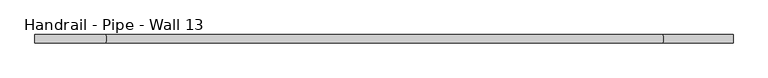
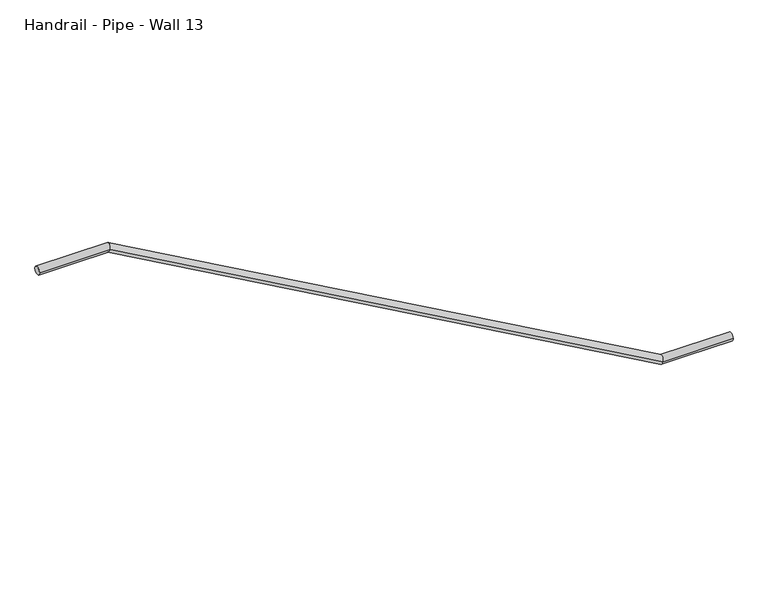
"""IFC4 building model written with IfcOpenShell, lengths in millimetres: railing geometry, Handrail - Pipe - Wall 13."""

import ifcopenshell
import ifcopenshell.guid

model = None  # the IFC model being written
_history = None  # IfcOwnerHistory: only IFC2X3 demands one
_inside = {}  # id of a spatial element -> (the spatial element, [elements in it])
_under = {}  # id of a project, library or spatial element -> (it, [spatial elements below it])
_declared = {}  # id of a project -> (the project, [libraries it declares])
_typed = {}  # id of a type object -> (the type object, [elements of that type])
_made_of = {}  # id of a material, layer set ... -> (it, [elements and type objects made of it])


def new_model(schema):
    """Start an empty IFC model of exactly this schema.

    Asked for "IFC4X3", IfcOpenShell would pick the latest addendum, in which some entities
    have other attributes; the version numbers below select the first issue.
    IFC2X3 requires an IfcOwnerHistory on every rooted entity: one is made here for all.
    """
    global model, _history
    if schema == "IFC4X3":
        model = ifcopenshell.file(schema_version=(4, 3, 0, 0))
    else:
        model = ifcopenshell.file(schema=schema)
    _inside.clear()
    _under.clear()
    _declared.clear()
    _typed.clear()
    _made_of.clear()
    _history = None
    if model.schema == "IFC2X3":
        org = make("IfcOrganization", Name="unknown")
        user = make(
            "IfcPersonAndOrganization",
            ThePerson=make("IfcPerson", FamilyName="unknown"),
            TheOrganization=org,
        )
        app = make(
            "IfcApplication",
            ApplicationDeveloper=org,
            Version="unknown",
            ApplicationFullName="unknown",
            ApplicationIdentifier="unknown",
        )
        _history = make(
            "IfcOwnerHistory",
            OwningUser=user,
            OwningApplication=app,
            ChangeAction="ADDED",
            CreationDate=0,
        )
    return model


def make(cls, **values):
    """One entity of the class cls with the attributes given. An attribute that is None is left unset."""
    return model.create_entity(
        cls, **{name: value for name, value in values.items() if value is not None}
    )


def rooted(cls, **values):
    """An entity with a GlobalId (a new one), such as an element, a storey or a relation."""
    return make(cls, GlobalId=ifcopenshell.guid.new(), OwnerHistory=_history, **values)


def si_unit(unit_type, name, prefix=None):
    """IfcSIUnit, for example si_unit("LENGTHUNIT", "METRE", prefix="MILLI")."""
    return make("IfcSIUnit", UnitType=unit_type, Prefix=prefix, Name=name)


def assignment(units):
    """IfcUnitAssignment: the units of a project."""
    return None if units is None else make("IfcUnitAssignment", Units=units)


def point(xyz):
    """IfcCartesianPoint."""
    return None if xyz is None else make("IfcCartesianPoint", Coordinates=xyz)


def direction(xyz):
    """IfcDirection."""
    return None if xyz is None else make("IfcDirection", DirectionRatios=xyz)


def frame(location, z_axis=None, x_axis=None):
    """IfcAxis2Placement3D, a coordinate frame: its origin and axes. An axis left out is left unset."""
    return make(
        "IfcAxis2Placement3D",
        Location=point(location),
        Axis=direction(z_axis),
        RefDirection=direction(x_axis),
    )


def origin():
    """The frame at (0, 0, 0) with its axes left unset."""
    return frame((0.0, 0.0, 0.0))


def place(relative_to, where):
    """IfcLocalPlacement: puts the frame where relative to a parent placement (None: the world)."""
    return make(
        "IfcLocalPlacement", PlacementRelTo=relative_to, RelativePlacement=where
    )


def context(
    kind, dimensions, precision=None, world=None, true_north=None, identifier=None
):
    """IfcGeometricRepresentationContext, for example the 3D "Model" context."""
    return make(
        "IfcGeometricRepresentationContext",
        ContextIdentifier=identifier,
        ContextType=kind,
        CoordinateSpaceDimension=dimensions,
        Precision=precision,
        WorldCoordinateSystem=world,
        TrueNorth=true_north,
    )


def project(units=None, contexts=None):
    """IfcProject with its units and contexts."""
    return rooted(
        "IfcProject",
        Name="project",
        RepresentationContexts=contexts,
        UnitsInContext=assignment(units),
    )


def spatial(cls, under=None, at=None, **own):
    """A site, building, storey or space (cls), placed at a placement, below another one or the project."""
    s = rooted(cls, ObjectPlacement=at, **own)
    if under is not None:
        _under.setdefault(under.id(), (under, []))[1].append(s)
    return s


def circle_curve(where, radius):
    """IfcCircle in the frame where."""
    return make("IfcCircle", Position=where, Radius=radius)


def ellipse_curve(where, semi_axis1, semi_axis2):
    """IfcEllipse in the frame where."""
    return make(
        "IfcEllipse", Position=where, SemiAxis1=semi_axis1, SemiAxis2=semi_axis2
    )


def shape(context_of_items, identifier, shape_type, items):
    """IfcShapeRepresentation: the items that make up one representation, for example the "Body"."""
    return make(
        "IfcShapeRepresentation",
        ContextOfItems=context_of_items,
        RepresentationIdentifier=identifier,
        RepresentationType=shape_type,
        Items=items,
    )


def source(mapping_origin, context_of_items, identifier, shape_type, items):
    """IfcRepresentationMap: a shape defined once, which mapped items show again and again."""
    return make(
        "IfcRepresentationMap",
        MappingOrigin=mapping_origin,
        MappedRepresentation=shape(context_of_items, identifier, shape_type, items),
    )


def transform(
    local_origin,
    x_axis=None,
    y_axis=None,
    z_axis=None,
    scale=None,
    scale2=None,
    scale3=None,
    uniform=True,
):
    """IfcCartesianTransformationOperator3D, or its non-uniform kind. x_axis, y_axis, z_axis: its Axis1, 2, 3."""
    if uniform:
        return make(
            "IfcCartesianTransformationOperator3D",
            Axis1=direction(x_axis),
            Axis2=direction(y_axis),
            LocalOrigin=point(local_origin),
            Scale=scale,
            Axis3=direction(z_axis),
        )
    return make(
        "IfcCartesianTransformationOperator3DnonUniform",
        Axis1=direction(x_axis),
        Axis2=direction(y_axis),
        LocalOrigin=point(local_origin),
        Scale=scale,
        Axis3=direction(z_axis),
        Scale2=scale2,
        Scale3=scale3,
    )


def mapped(mapping_source, mapping_target):
    """IfcMappedItem: shows the shape of a source again, moved by a transform."""
    return make(
        "IfcMappedItem", MappingSource=mapping_source, MappingTarget=mapping_target
    )


def made_of(thing, what):
    """Note that an element or type object is made of a material, layer set ...; save() writes the relation."""
    if what is not None:
        _made_of.setdefault(what.id(), (what, []))[1].append(thing)
    return thing


def element(
    cls,
    number,
    at=None,
    inside=None,
    cuts=None,
    type_object=None,
    material=None,
    context=None,
    identifier="Body",
    shape_type=None,
    held_by="IfcProductDefinitionShape",
    body=None,
    shapes=None,
    **own,
):
    """One element of the class cls, such as IfcWall. Its Tag is "e" and its number.

    at: its placement. inside: the storey or other place that contains it. cuts: it is an
    opening in that element (IfcRelVoidsElement). A single representation is given by context,
    identifier, shape_type and body (its items); several are given by shapes. held_by: the class
    of the entity that holds the representations. save() writes the other relations.
    """
    e = rooted(cls, Tag="e%d" % number, ObjectPlacement=at, **own)
    if body is not None:
        shapes = [shape(context, identifier, shape_type, body)]
    if shapes is not None:
        e.Representation = make(held_by, Representations=shapes)
    if inside is not None:
        _inside.setdefault(inside.id(), (inside, []))[1].append(e)
    if cuts is not None:
        rooted(
            "IfcRelVoidsElement", RelatingBuildingElement=cuts, RelatedOpeningElement=e
        )
    if type_object is not None:
        _typed.setdefault(type_object.id(), (type_object, []))[1].append(e)
    return made_of(e, material)


def aggregate(whole, parts):
    """IfcRelAggregates: a whole, such as a stair, and the parts it consists of."""
    return rooted("IfcRelAggregates", RelatingObject=whole, RelatedObjects=parts)


def save(model, path):
    """Write the relations noted so far, then the file.

    IfcRelAggregates (storeys below a building ...), IfcRelContainedInSpatialStructure (elements
    in a storey), IfcRelDefinesByType, IfcRelAssociatesMaterial and IfcRelDeclares: one each for
    every whole, place, type object, material and project.
    """
    for whole, parts in _under.values():
        aggregate(whole, parts)
    for where, things in _inside.values():
        rooted(
            "IfcRelContainedInSpatialStructure",
            RelatedElements=things,
            RelatingStructure=where,
        )
    for kind, things in _typed.values():
        rooted("IfcRelDefinesByType", RelatedObjects=things, RelatingType=kind)
    for what, things in _made_of.values():
        rooted("IfcRelAssociatesMaterial", RelatedObjects=things, RelatingMaterial=what)
    for by, libraries in _declared.values():
        rooted("IfcRelDeclares", RelatingContext=by, RelatedDefinitions=libraries)
    model.write(path)


def plane_surface(at):
    """IfcPlane: the flat surface through the origin of the frame at, square to its z axis."""
    return make("IfcPlane", Position=at)


def cylinder_surface(at, radius):
    """IfcCylindricalSurface: all points at the distance radius from the z axis of the frame at."""
    return make("IfcCylindricalSurface", Position=at, Radius=radius)


def advanced_brep(points, edges, surfaces, faces):
    """IfcAdvancedBrep: a solid bounded by faces that lie on surfaces and meet in shared edges.

    An edge is (start, end): straight between two places in points (the first is 0);
    or (start, end, curve); or (start, end, curve, False) where it runs against its curve.
    A face is (place in surfaces, loops), or (place, loops, False) where it looks against
    its surface's normal. A loop lists edges by number (the first is 1), with a minus sign
    where the edge is run from its end to its start. The first loop is the outer one.
    """
    corners = [point(p) for p in points]
    vertices = [make("IfcVertexPoint", VertexGeometry=c) for c in corners]
    made = []
    for start, end, *more in edges:
        made.append(
            make(
                "IfcEdgeCurve",
                EdgeStart=vertices[start],
                EdgeEnd=vertices[end],
                EdgeGeometry=more[0] if more else make("IfcPolyline", Points=[corners[start], corners[end]]),
                SameSense=more[1] if len(more) > 1 else True,
            )
        )
    hull = []
    for where, loops, *sense in faces:
        bounds = []
        for j, loop in enumerate(loops):
            ring = [make("IfcOrientedEdge", EdgeElement=made[abs(k) - 1], Orientation=k > 0) for k in loop]
            bounds.append(
                make(
                    "IfcFaceOuterBound" if j == 0 else "IfcFaceBound",
                    Bound=make("IfcEdgeLoop", EdgeList=ring),
                    Orientation=True,
                )
            )
        hull.append(make("IfcAdvancedFace", Bounds=bounds, FaceSurface=surfaces[where], SameSense=sense[0] if sense else True))
    return make("IfcAdvancedBrep", Outer=make("IfcClosedShell", CfsFaces=hull))


def handrail_pipe_wall_13_7807b95c(model_context):
    return source(origin(), model_context, "Body", "AdvancedBrep", [
        advanced_brep(
        [(-21493.6523684, 23528.4821878, -13157.2), (-21493.6523684, 23490.3821878, -13157.2), (-24694.0523684, 23528.4821878, -11715.75), (-24694.0523684, 23490.3821878, -11715.75), (-21816.1593544, 23490.3821878, -13157.2), (-21816.1593544, 23528.4821878, -13157.2), (-24368.8593544, 23490.3821878, -11715.75), (-24368.8593544, 23528.4821878, -11715.75)],
        [
            (0, 1, circle_curve(frame((-21493.6523684, 23509.4321878, -13157.2), z_axis=(1.0, 0.0, 0.0), x_axis=(0.0, -1.0, 0.0)), 19.05)),
            (1, 0, circle_curve(frame((-21493.6523684, 23509.4321878, -13157.2), z_axis=(1.0, 0.0, 0.0), x_axis=(0.0, -1.0, 0.0)), 19.05)),
            (2, 3, circle_curve(frame((-24694.0523684, 23509.4321878, -11715.75), z_axis=(-1.0, 0.0, 0.0), x_axis=(0.0, -1.0, 0.0)), 19.05)),
            (3, 2, circle_curve(frame((-24694.0523684, 23509.4321878, -11715.75), z_axis=(-1.0, 0.0, 0.0), x_axis=(0.0, -1.0, 0.0)), 19.05)),
            (1, 4),
            (4, 5, ellipse_curve(frame((-21816.1593544, 23509.4321878, -13157.2), z_axis=(0.9671516111671535, 0.0, -0.2542002380344659), x_axis=(0.25420023803446573, 0.0, 0.9671516111671535)), 19.6970152, 19.05)),
            (5, 0),
            (5, 4, ellipse_curve(frame((-21816.1593544, 23509.4321878, -13157.2), z_axis=(0.9671516111671535, 0.0, -0.2542002380344659), x_axis=(0.25420023803446573, 0.0, 0.9671516111671535)), 19.6970152, 19.05)),
            (4, 6),
            (6, 7, ellipse_curve(frame((-24368.8593544, 23509.4321878, -11715.75), z_axis=(0.9671516111671535, 0.0, -0.25420023803446595), x_axis=(-0.2542002380344662, 0.0, -0.9671516111671533)), 19.6970152, 19.05)),
            (7, 5),
            (7, 6, ellipse_curve(frame((-24368.8593544, 23509.4321878, -11715.75), z_axis=(0.9671516111671535, 0.0, -0.25420023803446595), x_axis=(-0.2542002380344662, 0.0, -0.9671516111671533)), 19.6970152, 19.05)),
            (6, 3),
            (2, 7),
        ],
        [
            plane_surface(frame((-21493.6523684, 23509.4321878, -13138.15), z_axis=(1.0, 0.0, 0.0), x_axis=(0.0, -1.0, 0.0))),
            plane_surface(frame((-24694.0523684, 23509.4321878, -11696.7), z_axis=(-1.0, 0.0, 0.0), x_axis=(0.0, -1.0, 0.0))),
            cylinder_surface(frame((-21493.6523684, 23509.4321878, -13157.2), z_axis=(1.0, 0.0, 0.0), x_axis=(0.0, -1.0, 0.0)), 19.05),
            cylinder_surface(frame((-21820.5192599, 23509.4321878, -13154.7380633), z_axis=(0.8707644779664417, 0.0, -0.49170033954821524), x_axis=(0.0, -1.0, 0.0)), 19.05),
            cylinder_surface(frame((-24363.8523684, 23509.4321878, -11715.75), z_axis=(1.0, 0.0, 0.0), x_axis=(0.0, -1.0, 0.0)), 19.05),
        ],
        [
            (0, [[1, 2]]),
            (1, [[3, 4]]),
            (2, [[-2, 5, 6, 7]]),
            (2, [[-1, -7, 8, -5]]),
            (3, [[-6, 9, 10, 11]]),
            (3, [[-8, -11, 12, -9]]),
            (4, [[-10, 13, -3, 14]]),
            (4, [[-12, -14, -4, -13]]),
        ],
    ),
    ])


if __name__ == "__main__":
    model = new_model("IFC4")
    model_context = context("Model", 3, world=origin())
    ifc_project = project(units=[si_unit("LENGTHUNIT", "METRE", prefix="MILLI")], contexts=[model_context])
    site = spatial("IfcSite", under=ifc_project)
    building = spatial("IfcBuilding", under=site)
    placement = place(None, origin())
    handrail_pipe_wall_13_shape = handrail_pipe_wall_13_7807b95c(model_context)
    element("IfcRailing", 1, ObjectType="Handrail - Pipe - Wall 13", at=placement, inside=building, context=model_context, shape_type="MappedRepresentation", body=[
        mapped(handrail_pipe_wall_13_shape, transform((0.0, 0.0, 0.0), x_axis=(1.0, 0.0, 0.0), y_axis=(0.0, 1.0, 0.0), z_axis=(0.0, 0.0, 1.0))),
    ])
    save(model, "model.ifc")
